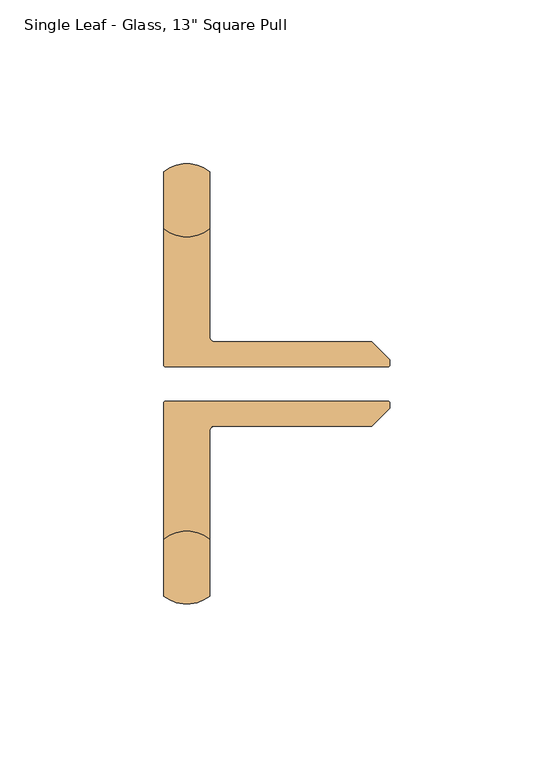
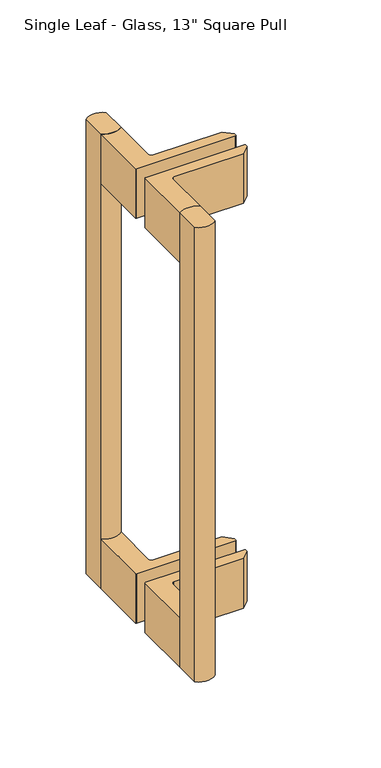
"""IFC4 building model written with IfcOpenShell, lengths in millimetres: door geometry."""

import ifcopenshell
import ifcopenshell.guid

model = None  # the IFC model being written
_history = None  # IfcOwnerHistory: only IFC2X3 demands one
_inside = {}  # id of a spatial element -> (the spatial element, [elements in it])
_under = {}  # id of a project, library or spatial element -> (it, [spatial elements below it])
_declared = {}  # id of a project -> (the project, [libraries it declares])
_typed = {}  # id of a type object -> (the type object, [elements of that type])
_made_of = {}  # id of a material, layer set ... -> (it, [elements and type objects made of it])


def new_model(schema):
    """Start an empty IFC model of exactly this schema.

    Asked for "IFC4X3", IfcOpenShell would pick the latest addendum, in which some entities
    have other attributes; the version numbers below select the first issue.
    IFC2X3 requires an IfcOwnerHistory on every rooted entity: one is made here for all.
    """
    global model, _history
    if schema == "IFC4X3":
        model = ifcopenshell.file(schema_version=(4, 3, 0, 0))
    else:
        model = ifcopenshell.file(schema=schema)
    _inside.clear()
    _under.clear()
    _declared.clear()
    _typed.clear()
    _made_of.clear()
    _history = None
    if model.schema == "IFC2X3":
        org = make("IfcOrganization", Name="unknown")
        user = make(
            "IfcPersonAndOrganization",
            ThePerson=make("IfcPerson", FamilyName="unknown"),
            TheOrganization=org,
        )
        app = make(
            "IfcApplication",
            ApplicationDeveloper=org,
            Version="unknown",
            ApplicationFullName="unknown",
            ApplicationIdentifier="unknown",
        )
        _history = make(
            "IfcOwnerHistory",
            OwningUser=user,
            OwningApplication=app,
            ChangeAction="ADDED",
            CreationDate=0,
        )
    return model


def make(cls, **values):
    """One entity of the class cls with the attributes given. An attribute that is None is left unset."""
    return model.create_entity(
        cls, **{name: value for name, value in values.items() if value is not None}
    )


def rooted(cls, **values):
    """An entity with a GlobalId (a new one), such as an element, a storey or a relation."""
    return make(cls, GlobalId=ifcopenshell.guid.new(), OwnerHistory=_history, **values)


def si_unit(unit_type, name, prefix=None):
    """IfcSIUnit, for example si_unit("LENGTHUNIT", "METRE", prefix="MILLI")."""
    return make("IfcSIUnit", UnitType=unit_type, Prefix=prefix, Name=name)


def assignment(units):
    """IfcUnitAssignment: the units of a project."""
    return None if units is None else make("IfcUnitAssignment", Units=units)


def point(xyz):
    """IfcCartesianPoint."""
    return None if xyz is None else make("IfcCartesianPoint", Coordinates=xyz)


def direction(xyz):
    """IfcDirection."""
    return None if xyz is None else make("IfcDirection", DirectionRatios=xyz)


def frame(location, z_axis=None, x_axis=None):
    """IfcAxis2Placement3D, a coordinate frame: its origin and axes. An axis left out is left unset."""
    return make(
        "IfcAxis2Placement3D",
        Location=point(location),
        Axis=direction(z_axis),
        RefDirection=direction(x_axis),
    )


def frame_2d(location, x_axis=None):
    """IfcAxis2Placement2D, a coordinate frame in the plane: its origin and x axis."""
    return make(
        "IfcAxis2Placement2D", Location=point(location), RefDirection=direction(x_axis)
    )


def origin():
    """The frame at (0, 0, 0) with its axes left unset."""
    return frame((0.0, 0.0, 0.0))


def place(relative_to, where):
    """IfcLocalPlacement: puts the frame where relative to a parent placement (None: the world)."""
    return make(
        "IfcLocalPlacement", PlacementRelTo=relative_to, RelativePlacement=where
    )


def context(
    kind, dimensions, precision=None, world=None, true_north=None, identifier=None
):
    """IfcGeometricRepresentationContext, for example the 3D "Model" context."""
    return make(
        "IfcGeometricRepresentationContext",
        ContextIdentifier=identifier,
        ContextType=kind,
        CoordinateSpaceDimension=dimensions,
        Precision=precision,
        WorldCoordinateSystem=world,
        TrueNorth=true_north,
    )


def project(units=None, contexts=None):
    """IfcProject with its units and contexts."""
    return rooted(
        "IfcProject",
        Name="project",
        RepresentationContexts=contexts,
        UnitsInContext=assignment(units),
    )


def spatial(cls, under=None, at=None, **own):
    """A site, building, storey or space (cls), placed at a placement, below another one or the project."""
    s = rooted(cls, ObjectPlacement=at, **own)
    if under is not None:
        _under.setdefault(under.id(), (under, []))[1].append(s)
    return s


def polyline(points):
    """IfcPolyline through the points."""
    return make("IfcPolyline", Points=[point(p) for p in points])


def circle_curve(where, radius):
    """IfcCircle in the frame where."""
    return make("IfcCircle", Position=where, Radius=radius)


def trimmed(basis, trim1, trim2, sense, master):
    """IfcTrimmedCurve: the piece of a basis curve between two trims."""
    return make(
        "IfcTrimmedCurve",
        BasisCurve=basis,
        Trim1=trim1,
        Trim2=trim2,
        SenseAgreement=sense,
        MasterRepresentation=master,
    )


def segment(curve, same_sense, transition):
    """IfcCompositeCurveSegment."""
    return make(
        "IfcCompositeCurveSegment",
        Transition=transition,
        SameSense=same_sense,
        ParentCurve=curve,
    )


def composite_curve(segments, self_intersect=None):
    """IfcCompositeCurve: segments joined end to end."""
    return make("IfcCompositeCurve", Segments=segments, SelfIntersect=self_intersect)


def outline(outer, holes=None, kind="AREA"):
    """IfcArbitraryClosedProfileDef: a profile drawn as a closed curve; with holes, ...WithVoids."""
    if holes is None:
        return make("IfcArbitraryClosedProfileDef", ProfileType=kind, OuterCurve=outer)
    return make(
        "IfcArbitraryProfileDefWithVoids",
        ProfileType=kind,
        OuterCurve=outer,
        InnerCurves=holes,
    )


def extrude(swept, where, along, depth):
    """IfcExtrudedAreaSolid: the profile swept, set in the frame where, extruded along a direction by depth."""
    return make(
        "IfcExtrudedAreaSolid",
        SweptArea=swept,
        Position=where,
        ExtrudedDirection=direction(along),
        Depth=depth,
    )


def shape(context_of_items, identifier, shape_type, items):
    """IfcShapeRepresentation: the items that make up one representation, for example the "Body"."""
    return make(
        "IfcShapeRepresentation",
        ContextOfItems=context_of_items,
        RepresentationIdentifier=identifier,
        RepresentationType=shape_type,
        Items=items,
    )


def source(mapping_origin, context_of_items, identifier, shape_type, items):
    """IfcRepresentationMap: a shape defined once, which mapped items show again and again."""
    return make(
        "IfcRepresentationMap",
        MappingOrigin=mapping_origin,
        MappedRepresentation=shape(context_of_items, identifier, shape_type, items),
    )


def transform(
    local_origin,
    x_axis=None,
    y_axis=None,
    z_axis=None,
    scale=None,
    scale2=None,
    scale3=None,
    uniform=True,
):
    """IfcCartesianTransformationOperator3D, or its non-uniform kind. x_axis, y_axis, z_axis: its Axis1, 2, 3."""
    if uniform:
        return make(
            "IfcCartesianTransformationOperator3D",
            Axis1=direction(x_axis),
            Axis2=direction(y_axis),
            LocalOrigin=point(local_origin),
            Scale=scale,
            Axis3=direction(z_axis),
        )
    return make(
        "IfcCartesianTransformationOperator3DnonUniform",
        Axis1=direction(x_axis),
        Axis2=direction(y_axis),
        LocalOrigin=point(local_origin),
        Scale=scale,
        Axis3=direction(z_axis),
        Scale2=scale2,
        Scale3=scale3,
    )


def mapped(mapping_source, mapping_target):
    """IfcMappedItem: shows the shape of a source again, moved by a transform."""
    return make(
        "IfcMappedItem", MappingSource=mapping_source, MappingTarget=mapping_target
    )


def made_of(thing, what):
    """Note that an element or type object is made of a material, layer set ...; save() writes the relation."""
    if what is not None:
        _made_of.setdefault(what.id(), (what, []))[1].append(thing)
    return thing


def element(
    cls,
    number,
    at=None,
    inside=None,
    cuts=None,
    type_object=None,
    material=None,
    context=None,
    identifier="Body",
    shape_type=None,
    held_by="IfcProductDefinitionShape",
    body=None,
    shapes=None,
    **own,
):
    """One element of the class cls, such as IfcWall. Its Tag is "e" and its number.

    at: its placement. inside: the storey or other place that contains it. cuts: it is an
    opening in that element (IfcRelVoidsElement). A single representation is given by context,
    identifier, shape_type and body (its items); several are given by shapes. held_by: the class
    of the entity that holds the representations. save() writes the other relations.
    """
    e = rooted(cls, Tag="e%d" % number, ObjectPlacement=at, **own)
    if body is not None:
        shapes = [shape(context, identifier, shape_type, body)]
    if shapes is not None:
        e.Representation = make(held_by, Representations=shapes)
    if inside is not None:
        _inside.setdefault(inside.id(), (inside, []))[1].append(e)
    if cuts is not None:
        rooted(
            "IfcRelVoidsElement", RelatingBuildingElement=cuts, RelatedOpeningElement=e
        )
    if type_object is not None:
        _typed.setdefault(type_object.id(), (type_object, []))[1].append(e)
    return made_of(e, material)


def aggregate(whole, parts):
    """IfcRelAggregates: a whole, such as a stair, and the parts it consists of."""
    return rooted("IfcRelAggregates", RelatingObject=whole, RelatedObjects=parts)


def save(model, path):
    """Write the relations noted so far, then the file.

    IfcRelAggregates (storeys below a building ...), IfcRelContainedInSpatialStructure (elements
    in a storey), IfcRelDefinesByType, IfcRelAssociatesMaterial and IfcRelDeclares: one each for
    every whole, place, type object, material and project.
    """
    for whole, parts in _under.values():
        aggregate(whole, parts)
    for where, things in _inside.values():
        rooted(
            "IfcRelContainedInSpatialStructure",
            RelatedElements=things,
            RelatingStructure=where,
        )
    for kind, things in _typed.values():
        rooted("IfcRelDefinesByType", RelatedObjects=things, RelatingType=kind)
    for what, things in _made_of.values():
        rooted("IfcRelAssociatesMaterial", RelatedObjects=things, RelatingMaterial=what)
    for by, libraries in _declared.values():
        rooted("IfcRelDeclares", RelatingContext=by, RelatedDefinitions=libraries)
    model.write(path)


def door_f4bc19cf(model_context):
    return source(origin(), model_context, "Body", "SweptSolid", [
        extrude(outline(composite_curve([segment(polyline([(-50.9125001, -64.0366536), (-50.9125001, -46.6789464)]), True, "CONTINUOUS"), segment(trimmed(circle_curve(frame_2d((-43.9125001, -55.3578)), 11.15), [point((-50.9125001, -46.6789464))], [point((-36.9125001, -46.6789464))], False, "CARTESIAN"), True, "CONTINUOUS"), segment(polyline([(-36.9125001, -46.6789464), (-36.9125001, -64.0366536)]), True, "CONTINUOUS"), segment(trimmed(circle_curve(frame_2d((-43.9125001, -55.3578)), 11.15), [point((-36.9125001, -64.0366536))], [point((-50.9125001, -64.0366536))], False, "CARTESIAN"), True, "CONTINUOUS")], self_intersect=False)), frame((0.0, 0.0, -108.492), z_axis=(0.0, 0.0, 1.0), x_axis=(1.0, 0.0, 0.0)), (0.0, 0.0, 1.0), 330.0),
        extrude(outline(composite_curve([segment(trimmed(circle_curve(frame_2d((-43.9125001, 56.7578)), 11.15), [point((-50.9125001, 65.4366536))], [point((-36.9125001, 65.4366536))], False, "CARTESIAN"), True, "CONTINUOUS"), segment(polyline([(-36.9125001, 65.4366536), (-36.9125001, 48.0789464)]), True, "CONTINUOUS"), segment(trimmed(circle_curve(frame_2d((-43.9125001, 56.7578)), 11.15), [point((-36.9125001, 48.0789464))], [point((-50.9125001, 48.0789464))], False, "CARTESIAN"), True, "CONTINUOUS"), segment(polyline([(-50.9125001, 48.0789464), (-50.9125001, 65.4366536)]), True, "CONTINUOUS")], self_intersect=False)), frame((0.0, 0.0, -108.492), z_axis=(0.0, 0.0, 1.0), x_axis=(1.0, 0.0, 0.0)), (0.0, 0.0, 1.0), 330.0),
        extrude(outline(composite_curve([segment(polyline([(-50.9125001, -46.6789464), (-50.9125001, -5.0578)]), True, "CONTINUOUS"), segment(trimmed(circle_curve(frame_2d((-50.4125001, -5.0578)), 0.5), [point((-50.9125001, -5.0578))], [point((-50.4125001, -4.5578))], False, "CARTESIAN"), True, "CONTINUOUS"), segment(polyline([(-50.4125001, -4.5578), (17.5, -4.5578)]), True, "CONTINUOUS"), segment(trimmed(circle_curve(frame_2d((17.5, -5.0578)), 0.5), [point((17.5, -4.5578))], [point((18.0, -5.0578))], False, "CARTESIAN"), True, "CONTINUOUS"), segment(polyline([(18.0, -5.0578), (18.0, -6.7090102), (12.5392102, -12.1698), (-35.4125001, -12.1698)]), True, "CONTINUOUS"), segment(trimmed(circle_curve(frame_2d((-35.4125001, -13.6698)), 1.5), [point((-35.4125001, -12.1698))], [point((-36.9125001, -13.6698))], True, "CARTESIAN"), True, "CONTINUOUS"), segment(polyline([(-36.9125001, -13.6698), (-36.9125001, -46.6789464)]), True, "CONTINUOUS"), segment(trimmed(circle_curve(frame_2d((-43.9125001, -55.3578)), 11.15), [point((-36.9125001, -46.6789464))], [point((-50.9125001, -46.6789464))], True, "CARTESIAN"), True, "CONTINUOUS")], self_intersect=False)), frame((0.0, 0.0, 185.508), z_axis=(0.0, 0.0, 1.0), x_axis=(1.0, 0.0, 0.0)), (0.0, 0.0, 1.0), 36.0),
        extrude(outline(composite_curve([segment(polyline([(-50.9125001, 6.4578), (-50.9125001, 48.0789464)]), True, "CONTINUOUS"), segment(trimmed(circle_curve(frame_2d((-43.9125001, 56.7578)), 11.15), [point((-50.9125001, 48.0789464))], [point((-36.9125001, 48.0789464))], True, "CARTESIAN"), True, "CONTINUOUS"), segment(polyline([(-36.9125001, 48.0789464), (-36.9125001, 15.0698)]), True, "CONTINUOUS"), segment(trimmed(circle_curve(frame_2d((-35.4125001, 15.0698)), 1.5), [point((-36.9125001, 15.0698))], [point((-35.4125001, 13.5698))], True, "CARTESIAN"), True, "CONTINUOUS"), segment(polyline([(-35.4125001, 13.5698), (12.5392102, 13.5698), (18.0, 8.1090102), (18.0, 6.4578)]), True, "CONTINUOUS"), segment(trimmed(circle_curve(frame_2d((17.5, 6.4578)), 0.5), [point((18.0, 6.4578))], [point((17.5, 5.9578))], False, "CARTESIAN"), True, "CONTINUOUS"), segment(polyline([(17.5, 5.9578), (-50.4125001, 5.9578)]), True, "CONTINUOUS"), segment(trimmed(circle_curve(frame_2d((-50.4125001, 6.4578)), 0.5), [point((-50.4125001, 5.9578))], [point((-50.9125001, 6.4578))], False, "CARTESIAN"), True, "CONTINUOUS")], self_intersect=False)), frame((0.0, 0.0, 185.508), z_axis=(0.0, 0.0, 1.0), x_axis=(1.0, 0.0, 0.0)), (0.0, 0.0, 1.0), 36.0),
        extrude(outline(composite_curve([segment(trimmed(circle_curve(frame_2d((-50.4125001, -5.0578)), 0.5), [point((-50.9125001, -5.0578))], [point((-50.4125001, -4.5578))], False, "CARTESIAN"), True, "CONTINUOUS"), segment(polyline([(-50.4125001, -4.5578), (17.5, -4.5578)]), True, "CONTINUOUS"), segment(trimmed(circle_curve(frame_2d((17.5, -5.0578)), 0.5), [point((17.5, -4.5578))], [point((18.0, -5.0578))], False, "CARTESIAN"), True, "CONTINUOUS"), segment(polyline([(18.0, -5.0578), (18.0, -6.7090102), (12.5392102, -12.1698), (-35.4125001, -12.1698)]), True, "CONTINUOUS"), segment(trimmed(circle_curve(frame_2d((-35.4125001, -13.6698)), 1.5), [point((-35.4125001, -12.1698))], [point((-36.9125001, -13.6698))], True, "CARTESIAN"), True, "CONTINUOUS"), segment(polyline([(-36.9125001, -13.6698), (-36.9125001, -46.6789464)]), True, "CONTINUOUS"), segment(trimmed(circle_curve(frame_2d((-43.9125001, -55.3578)), 11.15), [point((-36.9125001, -46.6789464))], [point((-50.9125001, -46.6789464))], True, "CARTESIAN"), True, "CONTINUOUS"), segment(polyline([(-50.9125001, -46.6789464), (-50.9125001, -5.0578)]), True, "CONTINUOUS")], self_intersect=False)), frame((0.0, 0.0, -108.492), z_axis=(0.0, 0.0, 1.0), x_axis=(1.0, 0.0, 0.0)), (0.0, 0.0, 1.0), 36.0),
        extrude(outline(composite_curve([segment(polyline([(17.5, 5.9578), (-50.4125001, 5.9578)]), True, "CONTINUOUS"), segment(trimmed(circle_curve(frame_2d((-50.4125001, 6.4578)), 0.5), [point((-50.4125001, 5.9578))], [point((-50.9125001, 6.4578))], False, "CARTESIAN"), True, "CONTINUOUS"), segment(polyline([(-50.9125001, 6.4578), (-50.9125001, 48.0789464)]), True, "CONTINUOUS"), segment(trimmed(circle_curve(frame_2d((-43.9125001, 56.7578)), 11.15), [point((-50.9125001, 48.0789464))], [point((-36.9125001, 48.0789464))], True, "CARTESIAN"), True, "CONTINUOUS"), segment(polyline([(-36.9125001, 48.0789464), (-36.9125001, 15.0698)]), True, "CONTINUOUS"), segment(trimmed(circle_curve(frame_2d((-35.4125001, 15.0698)), 1.5), [point((-36.9125001, 15.0698))], [point((-35.4125001, 13.5698))], True, "CARTESIAN"), True, "CONTINUOUS"), segment(polyline([(-35.4125001, 13.5698), (12.5392102, 13.5698), (18.0, 8.1090102), (18.0, 6.4578)]), True, "CONTINUOUS"), segment(trimmed(circle_curve(frame_2d((17.5, 6.4578)), 0.5), [point((18.0, 6.4578))], [point((17.5, 5.9578))], False, "CARTESIAN"), True, "CONTINUOUS")], self_intersect=False)), frame((0.0, 0.0, -108.492), z_axis=(0.0, 0.0, 1.0), x_axis=(1.0, 0.0, 0.0)), (0.0, 0.0, 1.0), 36.0),
    ])


if __name__ == "__main__":
    model = new_model("IFC4")
    model_context = context("Model", 3, world=origin())
    ifc_project = project(units=[si_unit("LENGTHUNIT", "METRE", prefix="MILLI")], contexts=[model_context])
    site = spatial("IfcSite", under=ifc_project)
    building = spatial("IfcBuilding", under=site)
    placement = place(None, origin())
    door_shape = door_f4bc19cf(model_context)
    element("IfcDoor", 1, ObjectType="Single Leaf - Glass, 13\" Square Pull", at=placement, inside=building, context=model_context, shape_type="MappedRepresentation", body=[
        mapped(door_shape, transform((0.0, 0.0, 0.0), x_axis=(1.0, 0.0, 0.0), y_axis=(0.0, 1.0, 0.0), z_axis=(0.0, 0.0, 1.0))),
    ])
    save(model, "model.ifc")
